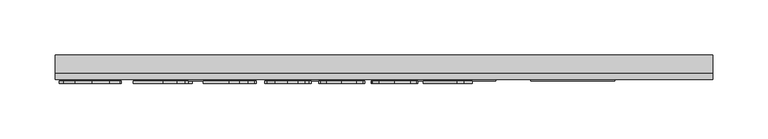
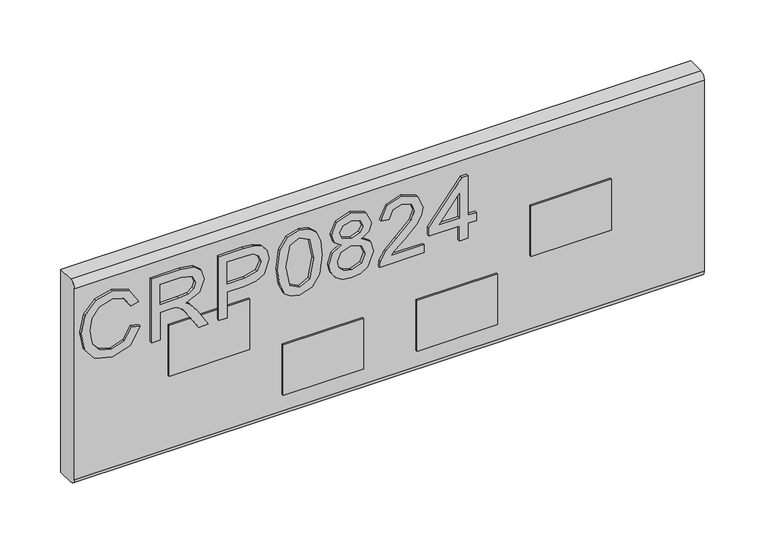
"""IFC4 building model written with IfcOpenShell, lengths in millimetres: furniture geometry."""

from ifc_helpers import new_model, si_unit, point, frame, frame_2d, origin, place, context, project, spatial, polyline, circle_curve, trimmed, segment, composite_curve, outline, extrude, source, transform, mapped, element, save


def furniture_b8b88cfd(model_context):
    return source(origin(), model_context, "Body", "SweptSolid", [
        extrude(outline(polyline([(498.9252652, -802.6680206), (487.1827171, -809.4347807), (483.2270047, -821.636752), (486.1314943, -832.6395507), (494.907258, -840.1304865), (508.6432359, -842.5366187), (520.4947997, -840.5042546), (529.6521183, -833.4571684), (533.0627523, -820.9826579), (529.9869522, -810.2056774), (520.1833263, -803.6647356), (522.0833141, -795.6910159), (536.0684708, -804.7003847), (541.0364719, -820.6711844), (537.197562, -835.9956768), (525.9611582, -846.7337231), (508.6276623, -850.5103383), (491.5744924, -847.1697859), (479.4426026, -837.4362414), (475.253285, -820.8424948), (480.7897251, -804.1475194), (496.8695406, -794.694301), (498.9252652, -802.6680206)])), frame((0.0, 1146.9916162, 0.0), z_axis=(0.0, 1.0, 0.0), x_axis=(0.0, 0.0, 1.0)), (0.0, 0.0, 1.0), 2.38125),
        extrude(outline(polyline([(476.25, -783.7304365), (476.25, -775.7567169), (504.1580187, -775.7567169), (504.1580187, -766.1321881), (503.8776926, -761.5068078), (502.3592596, -757.7146189), (498.22445, -753.5019409), (489.4720468, -747.5060775), (476.25, -739.2053108), (476.25, -729.9389764), (493.536775, -740.5757938), (501.7440996, -747.0388673), (505.1547336, -751.5708056), (511.0883023, -738.2163826), (522.5816716, -733.8946889), (532.2295609, -736.5032788), (538.3188663, -743.4802835), (540.0397569, -756.242907), (540.0397569, -783.7304365), (476.25, -783.7304365)]), holes=[polyline([(512.1317383, -775.7567169), (532.0660373, -775.7567169), (532.0660373, -755.9002862), (529.3094975, -745.2401083), (522.2857719, -741.8684085), (516.8739211, -743.6360202), (513.2608294, -748.806479), (512.1317383, -757.9092898), (512.1317383, -775.7567169)])]), frame((0.0, 1146.9916162, 0.0), z_axis=(0.0, 1.0, 0.0), x_axis=(0.0, 0.0, 1.0)), (0.0, 0.0, 1.0), 2.38125),
        extrude(outline(polyline([(476.25, -719.9406796), (476.25, -711.96696), (502.1645888, -711.96696), (502.1645888, -695.7547683), (503.574006, -684.4268693), (507.8022577, -677.2298865), (521.5849567, -672.0983619), (530.282852, -673.9983497), (536.4500257, -679.0208587), (539.4323838, -686.7687601), (540.0397569, -696.2998468), (540.0397569, -719.9406796), (476.25, -719.9406796)]), holes=[polyline([(510.1383084, -711.96696), (532.0660373, -711.96696), (532.0660373, -695.4744422), (531.5209588, -687.5007226), (527.9078671, -682.1200192), (521.3046306, -680.0720815), (513.0661585, -683.5450101), (510.1383084, -695.2875582), (510.1383084, -711.96696)])]), frame((0.0, 1146.9916162, 0.0), z_axis=(0.0, 1.0, 0.0), x_axis=(0.0, 0.0, 1.0)), (0.0, 0.0, 1.0), 2.38125),
        extrude(outline(polyline([(507.6309473, -664.1246422), (492.1156775, -662.5361278), (481.3270168, -657.7705844), (476.771718, -651.4788213), (475.253285, -643.1936283), (478.7495742, -631.5211617), (489.3552443, -624.5830913), (507.6309473, -622.2626143), (522.6206058, -623.7109657), (532.0582505, -627.4486467), (537.9840324, -633.8805729), (540.0397569, -643.1936283), (536.5668283, -654.8193737), (525.9845188, -661.7808047), (507.6309473, -664.1246422)]), holes=[polyline([(507.646521, -656.1509226), (527.7988514, -652.2886522), (532.0660373, -643.2870703), (527.2226256, -633.8494256), (507.646521, -630.2363339), (487.8601718, -633.9740149), (483.2270047, -643.1936283), (487.8445982, -652.4132416), (507.646521, -656.1509226)])]), frame((0.0, 1146.9916162, 0.0), z_axis=(0.0, 1.0, 0.0), x_axis=(0.0, 0.0, 1.0)), (0.0, 0.0, 1.0), 2.38125),
        extrude(outline(polyline([(511.3842021, -603.6676509), (505.5907964, -612.2643174), (495.0318474, -615.2856096), (487.2742125, -613.845045), (480.9143145, -609.5233513), (476.6685424, -602.8500332), (475.253285, -594.3545956), (476.6627023, -585.859158), (480.890954, -579.1858399), (494.813816, -573.4235816), (505.1313731, -576.3280713), (511.3842021, -584.8079352), (516.313269, -577.7452753), (523.8275653, -575.4170115), (535.3209346, -580.649765), (540.0397569, -594.4636113), (535.4299503, -608.1528682), (524.0455967, -613.2921797), (516.3366295, -610.9327685), (511.3842021, -603.6676509)]), holes=[polyline([(523.8119916, -605.3184601), (529.6365446, -602.4451177), (532.0660373, -594.3545956), (529.5820368, -586.2874339), (523.4537972, -583.3907311), (517.5358022, -586.1939919), (515.1218831, -594.2611536), (517.5513758, -602.4918388), (523.8119916, -605.3184601)]), polyline([(495.3121735, -607.31189), (503.7686769, -603.9401902), (507.1481635, -594.5570533), (503.7219559, -584.9013772), (495.0629947, -581.3973012), (486.5675571, -584.7923615), (483.2270047, -594.2923009), (484.8155191, -601.2693056), (489.3085232, -605.9803411), (495.3121735, -607.31189)])]), frame((0.0, 1146.9916162, 0.0), z_axis=(0.0, 1.0, 0.0), x_axis=(0.0, 0.0, 1.0)), (0.0, 0.0, 1.0), 2.38125),
        extrude(outline(polyline([(484.2237196, -525.5812639), (484.2237196, -556.8999165), (488.2806609, -553.3023985), (495.950694, -544.1295062), (506.8756243, -532.7062184), (514.6936072, -527.9951829), (522.2546245, -526.5779788), (534.9315928, -531.8340928), (540.0397569, -546.1073624), (535.445524, -560.333911), (522.0988878, -566.4465769), (521.1021729, -558.4728573), (529.1537608, -555.1167312), (532.0660373, -546.2786728), (529.0836793, -537.7988089), (521.7718407, -534.5516985), (512.7391115, -537.9934798), (499.45477, -551.7606051), (490.2117962, -561.7433282), (481.7475059, -566.58674), (476.25, -567.4432919), (476.25, -525.5812639), (484.2237196, -525.5812639)])), frame((0.0, 1146.9916162, 0.0), z_axis=(0.0, 1.0, 0.0), x_axis=(0.0, 0.0, 1.0)), (0.0, 0.0, 1.0), 2.38125),
        extrude(outline(polyline([(476.25, -491.6929555), (476.25, -483.7192359), (491.2007243, -483.7192359), (491.2007243, -475.7455163), (499.1744439, -475.7455163), (499.1744439, -483.7192359), (539.043042, -483.7192359), (539.043042, -489.6995256), (499.1744439, -520.5976891), (491.2007243, -520.5976891), (491.2007243, -491.6929555), (476.25, -491.6929555)]), holes=[polyline([(499.1744439, -491.6929555), (499.1744439, -510.7862763), (523.8119916, -491.6929555), (499.1744439, -491.6929555)])]), frame((0.0, 1146.9916162, 0.0), z_axis=(0.0, 1.0, 0.0), x_axis=(0.0, 0.0, 1.0)), (0.0, 0.0, 1.0), 2.38125),
        extrude(outline(polyline([(-422.6971981, 1150.9603662), (-346.4971981, 1150.9603662), (-346.4971981, 1149.3728662), (-422.6971981, 1149.3728662), (-422.6971981, 1150.9603662)])), frame((0.0, 0.0, 434.974997), z_axis=(0.0, 0.0, 1.0), x_axis=(1.0, 0.0, 0.0)), (0.0, 0.0, 1.0), 50.8000061),
        extrude(outline(polyline([(-765.5971981, 1150.9603662), (-689.3971981, 1150.9603662), (-689.3971981, 1149.3728662), (-765.5971981, 1149.3728662), (-765.5971981, 1150.9603662)])), frame((0.0, 0.0, 434.974997), z_axis=(0.0, 0.0, 1.0), x_axis=(1.0, 0.0, 0.0)), (0.0, 0.0, 1.0), 50.8000061),
        extrude(outline(polyline([(-657.6471921, 1150.9603662), (-581.4471921, 1150.9603662), (-581.4471921, 1149.3728662), (-657.6471921, 1149.3728662), (-657.6471921, 1150.9603662)])), frame((0.0, 0.0, 377.8249992), z_axis=(0.0, 0.0, 1.0), x_axis=(1.0, 0.0, 0.0)), (0.0, 0.0, 1.0), 50.7999992),
        extrude(outline(polyline([(-530.647186, 1150.9603662), (-454.447186, 1150.9603662), (-454.447186, 1149.3728662), (-530.647186, 1149.3728662), (-530.647186, 1150.9603662)])), frame((0.0, 0.0, 377.8249992), z_axis=(0.0, 0.0, 1.0), x_axis=(1.0, 0.0, 0.0)), (0.0, 0.0, 1.0), 50.7999992),
        extrude(outline(composite_curve([segment(trimmed(circle_curve(frame_2d((1156.9134912, 552.8468811)), 5.953125), [point((1150.9603662, 552.8468811))], [point((1156.9134912, 558.8000061))], False, "CARTESIAN"), True, "CONTINUOUS"), segment(polyline([(1156.9134912, 558.8000061), (1173.1853662, 558.8000061), (1173.1853662, 355.6), (1156.9134912, 355.6)]), True, "CONTINUOUS"), segment(trimmed(circle_curve(frame_2d((1156.9134912, 361.553125)), 5.953125), [point((1156.9134912, 355.6))], [point((1150.9603662, 361.553125))], False, "CARTESIAN"), True, "CONTINUOUS"), segment(polyline([(1150.9603662, 361.553125), (1150.9603662, 552.8468811)]), True, "CONTINUOUS")], self_intersect=False)), frame((-854.4971981, 0.0, 0.0), z_axis=(1.0, 0.0, 0.0), x_axis=(0.0, 1.0, 0.0)), (0.0, 0.0, 1.0), 596.9),
    ])


if __name__ == "__main__":
    model = new_model("IFC4")
    model_context = context("Model", 3, world=origin())
    ifc_project = project(units=[si_unit("LENGTHUNIT", "METRE", prefix="MILLI")], contexts=[model_context])
    site = spatial("IfcSite", under=ifc_project)
    building = spatial("IfcBuilding", under=site)
    placement = place(None, origin())
    furniture_shape = furniture_b8b88cfd(model_context)
    element("IfcFurniture", 1, at=placement, inside=building, context=model_context, shape_type="MappedRepresentation", body=[
        mapped(furniture_shape, transform((0.0, 0.0, 0.0), x_axis=(1.0, 0.0, 0.0), y_axis=(0.0, 1.0, 0.0), z_axis=(0.0, 0.0, 1.0))),
    ])
    save(model, "model.ifc")
